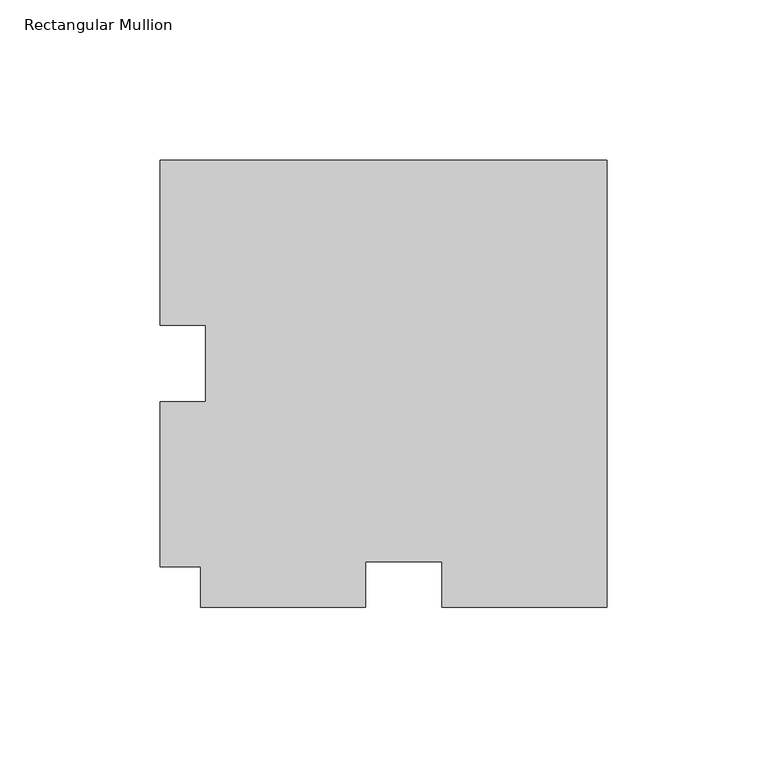
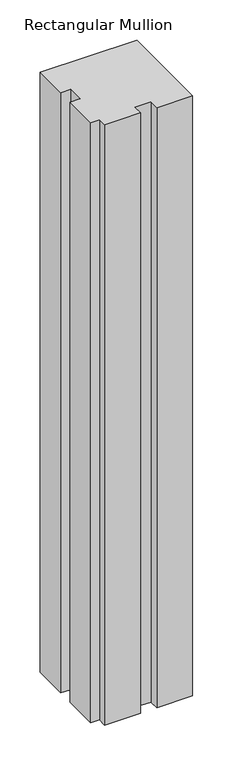
"""IFC4 building model written with IfcOpenShell, lengths in millimetres: member geometry, Rectangular Mullion."""

from ifc_helpers import new_model, si_unit, frame, origin, place, context, project, spatial, polyline, outline, extrude, source, transform, mapped, element, save


def rectangular_mullion_a28951e8(model_context):
    return source(origin(), model_context, "Body", "SweptSolid", [
        extrude(outline(polyline([(-139.7, 127.00635), (0.0, 127.00635), (0.0, -12.69365), (-51.6001, -12.69365), (-51.6001, 1.59385), (-75.3999, 1.59385), (-75.3999, -12.69365), (-127.0, -12.69365), (-127.0, 0.00635), (-139.7, 0.00635), (-139.7, 51.60645), (-125.4125, 51.60645), (-125.4125, 75.40625), (-139.7, 75.40625), (-139.7, 127.00635)])), frame((0.0, 0.0, -914.4), z_axis=(0.0, 0.0, 1.0), x_axis=(1.0, 0.0, 0.0)), (0.0, 0.0, 1.0), 914.4),
    ])


if __name__ == "__main__":
    model = new_model("IFC4")
    model_context = context("Model", 3, world=origin())
    ifc_project = project(units=[si_unit("LENGTHUNIT", "METRE", prefix="MILLI")], contexts=[model_context])
    site = spatial("IfcSite", under=ifc_project)
    building = spatial("IfcBuilding", under=site)
    placement = place(None, origin())
    rectangular_mullion_shape = rectangular_mullion_a28951e8(model_context)
    element("IfcMember", 1, ObjectType="Rectangular Mullion", at=placement, inside=building, context=model_context, shape_type="MappedRepresentation", body=[
        mapped(rectangular_mullion_shape, transform((0.0, 0.0, 0.0), x_axis=(1.0, 0.0, 0.0), y_axis=(0.0, 1.0, 0.0), z_axis=(0.0, 0.0, 1.0))),
    ])
    save(model, "model.ifc")
